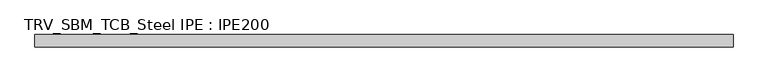
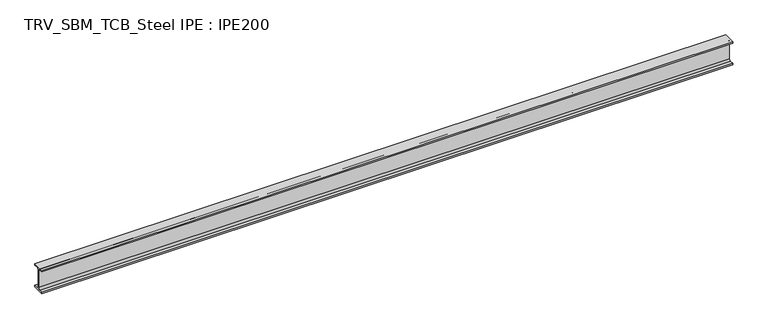
"""IFC4 building model written with IfcOpenShell, lengths in millimetres: beam geometry, TRV_SBM_TCB_Steel IPE : IPE200."""

from ifc_helpers import new_model, si_unit, point, frame, frame_2d, origin, place, context, project, spatial, polyline, circle_curve, trimmed, segment, composite_curve, outline, extrude, source, transform, mapped, element, save


def trv_sbm_tcb_steel_ipe_ipe200_a000d7ba(model_context):
    return source(origin(), model_context, "Body", "SweptSolid", [
        extrude(outline(composite_curve([segment(polyline([(50.0, -89.3), (50.0, -100.0), (-50.0, -100.0), (-50.0, -89.3), (-18.55, -89.3)]), True, "CONTINUOUS"), segment(trimmed(circle_curve(frame_2d((-18.55, -74.3)), 15.0), [point((-18.55, -89.3))], [point((-3.55, -74.3))], True, "CARTESIAN"), True, "CONTINUOUS"), segment(polyline([(-3.55, -74.3), (-3.55, 74.3)]), True, "CONTINUOUS"), segment(trimmed(circle_curve(frame_2d((-18.55, 74.3)), 15.0), [point((-3.55, 74.3))], [point((-18.55, 89.3))], True, "CARTESIAN"), True, "CONTINUOUS"), segment(polyline([(-18.55, 89.3), (-50.0, 89.3), (-50.0, 100.0), (50.0, 100.0), (50.0, 89.3), (18.55, 89.3)]), True, "CONTINUOUS"), segment(trimmed(circle_curve(frame_2d((18.55, 74.3)), 15.0), [point((18.55, 89.3))], [point((3.55, 74.3))], True, "CARTESIAN"), True, "CONTINUOUS"), segment(polyline([(3.55, 74.3), (3.55, -74.3)]), True, "CONTINUOUS"), segment(trimmed(circle_curve(frame_2d((18.55, -74.3)), 15.0), [point((3.55, -74.3))], [point((18.55, -89.3))], True, "CARTESIAN"), True, "CONTINUOUS"), segment(polyline([(18.55, -89.3), (50.0, -89.3)]), True, "CONTINUOUS")], self_intersect=False)), frame((-2845.0, 0.0, 0.0), z_axis=(1.0, 0.0, 0.0), x_axis=(0.0, 1.0, 0.0)), (0.0, 0.0, 1.0), 5720.0),
    ])


if __name__ == "__main__":
    model = new_model("IFC4")
    model_context = context("Model", 3, world=origin())
    ifc_project = project(units=[si_unit("LENGTHUNIT", "METRE", prefix="MILLI")], contexts=[model_context])
    site = spatial("IfcSite", under=ifc_project)
    building = spatial("IfcBuilding", under=site)
    placement = place(None, origin())
    trv_sbm_tcb_steel_ipe_ipe200_shape = trv_sbm_tcb_steel_ipe_ipe200_a000d7ba(model_context)
    element("IfcBeam", 1, ObjectType="TRV_SBM_TCB_Steel IPE : IPE200", at=placement, inside=building, context=model_context, shape_type="MappedRepresentation", body=[
        mapped(trv_sbm_tcb_steel_ipe_ipe200_shape, transform((0.0, 0.0, 0.0), x_axis=(1.0, 0.0, 0.0), y_axis=(0.0, 1.0, 0.0), z_axis=(0.0, 0.0, 1.0))),
    ])
    save(model, "model.ifc")
